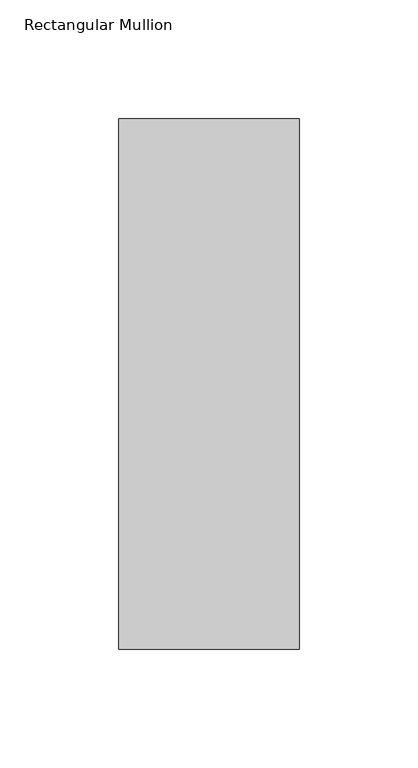
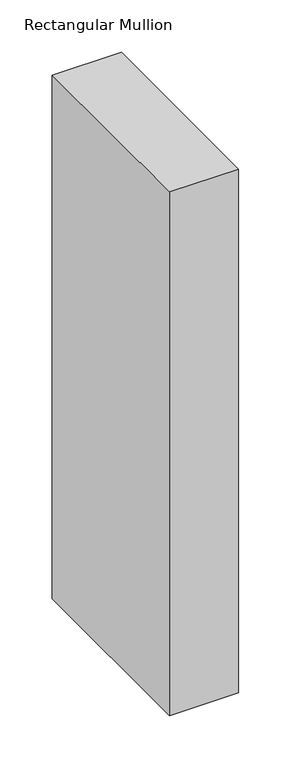
"""IFC4 building model written with IfcOpenShell, lengths in millimetres: member geometry, Rectangular Mullion."""

from ifc_helpers import new_model, si_unit, frame, origin, place, context, project, spatial, polyline, outline, extrude, source, transform, mapped, element, save


def rectangular_mullion_cbfa21fc(model_context):
    return source(origin(), model_context, "Body", "SweptSolid", [
        extrude(outline(polyline([(38.1, -181.76875), (-38.1, -181.76875), (-38.1, 42.06875), (38.1, 42.06875), (38.1, -181.76875)])), frame((0.0, 0.0, -609.6), z_axis=(0.0, 0.0, 1.0), x_axis=(1.0, 0.0, 0.0)), (0.0, 0.0, 1.0), 609.6),
    ])


if __name__ == "__main__":
    model = new_model("IFC4")
    model_context = context("Model", 3, world=origin())
    ifc_project = project(units=[si_unit("LENGTHUNIT", "METRE", prefix="MILLI")], contexts=[model_context])
    site = spatial("IfcSite", under=ifc_project)
    building = spatial("IfcBuilding", under=site)
    placement = place(None, origin())
    rectangular_mullion_shape = rectangular_mullion_cbfa21fc(model_context)
    element("IfcMember", 1, ObjectType="Rectangular Mullion", at=placement, inside=building, context=model_context, shape_type="MappedRepresentation", body=[
        mapped(rectangular_mullion_shape, transform((0.0, 0.0, 0.0), x_axis=(1.0, 0.0, 0.0), y_axis=(0.0, 1.0, 0.0), z_axis=(0.0, 0.0, 1.0))),
    ])
    save(model, "model.ifc")
